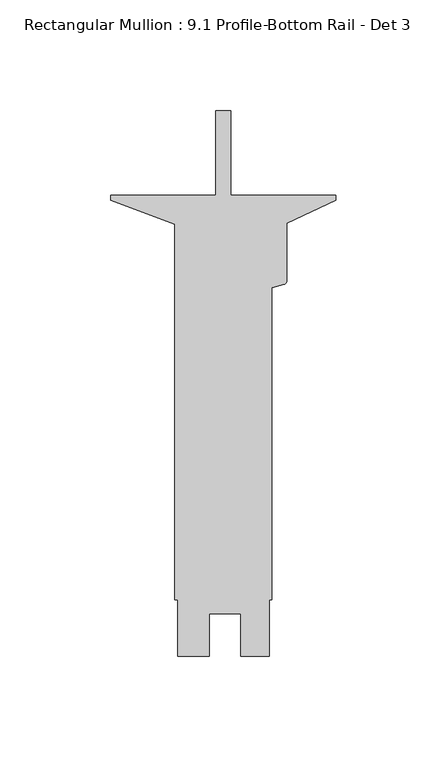
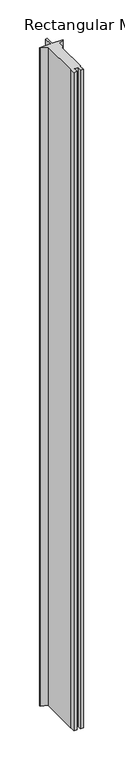
"""IFC4 building model written with IfcOpenShell, lengths in millimetres: member geometry, Rectangular Mullion : 9.1 Profile-Bottom Rail - Det 3."""

from ifc_helpers import new_model, si_unit, point, frame, frame_2d, origin, place, context, project, spatial, polyline, circle_curve, trimmed, segment, composite_curve, outline, extrude, source, transform, mapped, element, save


def rectangular_mullion_9_1_profile_bottom_rail_det_3_f15f6a31(model_context):
    return source(origin(), model_context, "Body", "SweptSolid", [
        extrude(outline(composite_curve([segment(polyline([(-47.4345, 21.42998), (-47.4345, -16.66875), (0.0, -16.66875), (0.0, -19.05127), (-22.225, -29.37002), (-22.225, -55.393711)]), True, "CONTINUOUS"), segment(trimmed(circle_curve(frame_2d((-23.8125, -55.393711)), 1.5875), [point((-22.225, -55.393711))], [point((-23.4016248, -56.9271183))], False, "CARTESIAN"), True, "CONTINUOUS"), segment(polyline([(-23.4016248, -56.9271183), (-28.9052, -58.4017968), (-28.9052, -199.23252), (-30.1752, -199.23252), (-30.1752, -224.63252), (-42.8879, -224.63252), (-42.8879, -205.5952209), (-57.1754, -205.5952209), (-57.1754, -224.63252), (-71.4374837, -224.63252), (-71.4374837, -199.23252), (-72.6948, -199.23252), (-72.6948, -29.8294802), (-101.6, -19.05127), (-101.6, -16.66875), (-54.1655, -16.66875), (-54.1655, 21.42998), (-47.4345, 21.42998)]), True, "CONTINUOUS")], self_intersect=False)), frame((0.0, 0.0, -3048.0), z_axis=(0.0, 0.0, 1.0), x_axis=(1.0, 0.0, 0.0)), (0.0, 0.0, 1.0), 3048.0),
    ])


if __name__ == "__main__":
    model = new_model("IFC4")
    model_context = context("Model", 3, world=origin())
    ifc_project = project(units=[si_unit("LENGTHUNIT", "METRE", prefix="MILLI")], contexts=[model_context])
    site = spatial("IfcSite", under=ifc_project)
    building = spatial("IfcBuilding", under=site)
    placement = place(None, origin())
    rectangular_mullion_9_1_profile_bottom_rail_det_3_shape = rectangular_mullion_9_1_profile_bottom_rail_det_3_f15f6a31(model_context)
    element("IfcMember", 1, ObjectType="Rectangular Mullion : 9.1 Profile-Bottom Rail - Det 3", at=placement, inside=building, context=model_context, shape_type="MappedRepresentation", body=[
        mapped(rectangular_mullion_9_1_profile_bottom_rail_det_3_shape, transform((0.0, 0.0, 0.0), x_axis=(1.0, 0.0, 0.0), y_axis=(0.0, 1.0, 0.0), z_axis=(0.0, 0.0, 1.0))),
    ])
    save(model, "model.ifc")
